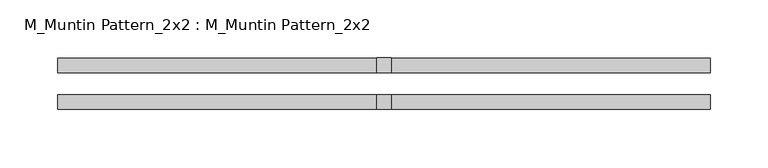
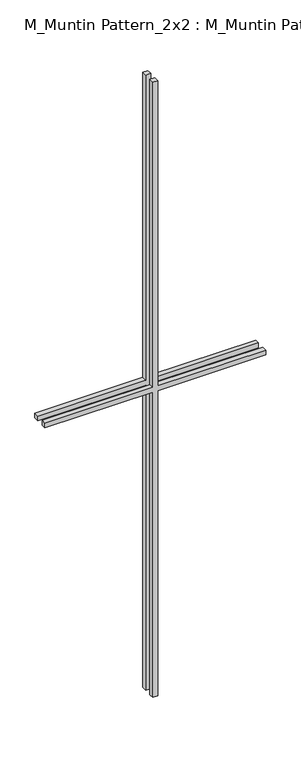
"""IFC4 building model written with IfcOpenShell, lengths in millimetres: proxy geometry, M_Muntin Pattern_2x2 : M_Muntin Pattern_2x2."""

from ifc_helpers import new_model, si_unit, frame, origin, place, context, project, spatial, polyline, outline, extrude, source, transform, mapped, element, save


def m_muntin_pattern_2x2_m_muntin_pattern_2x2_f3921bb5(model_context):
    return source(origin(), model_context, "Body", "SweptSolid", [
        extrude(outline(polyline([(836.5, -6.35), (836.5, -281.7375), (823.8, -281.7375), (823.8, -6.35), (0.0, -6.35), (0.0, 6.35), (823.8, 6.35), (823.8, 281.7375), (836.5, 281.7375), (836.5, 6.35), (1660.3, 6.35), (1660.3, -6.35), (836.5, -6.35)])), frame((0.0, -22.225, 0.0), z_axis=(0.0, 1.0, 0.0), x_axis=(0.0, 0.0, 1.0)), (0.0, 0.0, 1.0), 12.7),
        extrude(outline(polyline([(836.5, -6.35), (836.5, -281.7375), (823.8, -281.7375), (823.8, -6.35), (0.0, -6.35), (0.0, 6.35), (823.8, 6.35), (823.8, 281.7375), (836.5, 281.7375), (836.5, 6.35), (1660.3, 6.35), (1660.3, -6.35), (836.5, -6.35)])), frame((0.0, 9.525, 0.0), z_axis=(0.0, 1.0, 0.0), x_axis=(0.0, 0.0, 1.0)), (0.0, 0.0, 1.0), 12.7),
    ])


if __name__ == "__main__":
    model = new_model("IFC4")
    model_context = context("Model", 3, world=origin())
    ifc_project = project(units=[si_unit("LENGTHUNIT", "METRE", prefix="MILLI")], contexts=[model_context])
    site = spatial("IfcSite", under=ifc_project)
    building = spatial("IfcBuilding", under=site)
    placement = place(None, origin())
    m_muntin_pattern_2x2_m_muntin_pattern_2x2_shape = m_muntin_pattern_2x2_m_muntin_pattern_2x2_f3921bb5(model_context)
    element("IfcBuildingElementProxy", 1, Name="M_Muntin Pattern_2x2 : M_Muntin Pattern_2x2", ObjectType="M_Muntin Pattern_2x2 : M_Muntin Pattern_2x2", at=placement, inside=building, context=model_context, shape_type="MappedRepresentation", body=[
        mapped(m_muntin_pattern_2x2_m_muntin_pattern_2x2_shape, transform((0.0, 0.0, 0.0), x_axis=(1.0, 0.0, 0.0), y_axis=(0.0, 1.0, 0.0), z_axis=(0.0, 0.0, 1.0))),
    ])
    save(model, "model.ifc")
